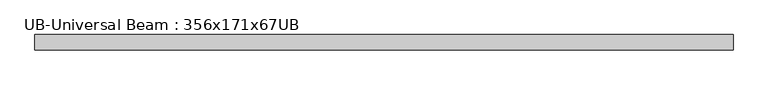
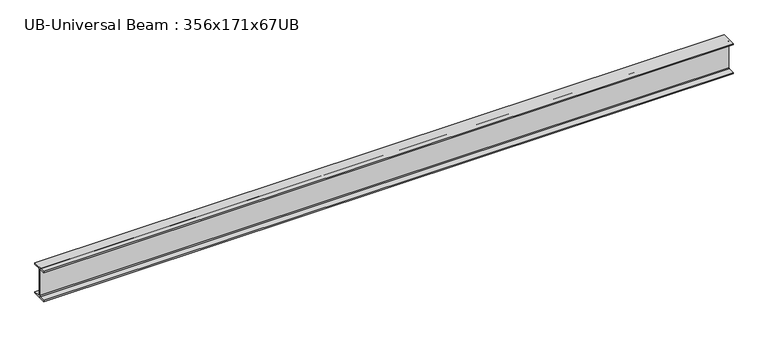
"""IFC4 building model written with IfcOpenShell, lengths in millimetres: beam geometry, UB-Universal Beam : 356x171x67UB."""

import ifcopenshell
import ifcopenshell.guid

model = None  # the IFC model being written
_history = None  # IfcOwnerHistory: only IFC2X3 demands one
_inside = {}  # id of a spatial element -> (the spatial element, [elements in it])
_under = {}  # id of a project, library or spatial element -> (it, [spatial elements below it])
_declared = {}  # id of a project -> (the project, [libraries it declares])
_typed = {}  # id of a type object -> (the type object, [elements of that type])
_made_of = {}  # id of a material, layer set ... -> (it, [elements and type objects made of it])


def new_model(schema):
    """Start an empty IFC model of exactly this schema.

    Asked for "IFC4X3", IfcOpenShell would pick the latest addendum, in which some entities
    have other attributes; the version numbers below select the first issue.
    IFC2X3 requires an IfcOwnerHistory on every rooted entity: one is made here for all.
    """
    global model, _history
    if schema == "IFC4X3":
        model = ifcopenshell.file(schema_version=(4, 3, 0, 0))
    else:
        model = ifcopenshell.file(schema=schema)
    _inside.clear()
    _under.clear()
    _declared.clear()
    _typed.clear()
    _made_of.clear()
    _history = None
    if model.schema == "IFC2X3":
        org = make("IfcOrganization", Name="unknown")
        user = make(
            "IfcPersonAndOrganization",
            ThePerson=make("IfcPerson", FamilyName="unknown"),
            TheOrganization=org,
        )
        app = make(
            "IfcApplication",
            ApplicationDeveloper=org,
            Version="unknown",
            ApplicationFullName="unknown",
            ApplicationIdentifier="unknown",
        )
        _history = make(
            "IfcOwnerHistory",
            OwningUser=user,
            OwningApplication=app,
            ChangeAction="ADDED",
            CreationDate=0,
        )
    return model


def make(cls, **values):
    """One entity of the class cls with the attributes given. An attribute that is None is left unset."""
    return model.create_entity(
        cls, **{name: value for name, value in values.items() if value is not None}
    )


def rooted(cls, **values):
    """An entity with a GlobalId (a new one), such as an element, a storey or a relation."""
    return make(cls, GlobalId=ifcopenshell.guid.new(), OwnerHistory=_history, **values)


def si_unit(unit_type, name, prefix=None):
    """IfcSIUnit, for example si_unit("LENGTHUNIT", "METRE", prefix="MILLI")."""
    return make("IfcSIUnit", UnitType=unit_type, Prefix=prefix, Name=name)


def assignment(units):
    """IfcUnitAssignment: the units of a project."""
    return None if units is None else make("IfcUnitAssignment", Units=units)


def point(xyz):
    """IfcCartesianPoint."""
    return None if xyz is None else make("IfcCartesianPoint", Coordinates=xyz)


def direction(xyz):
    """IfcDirection."""
    return None if xyz is None else make("IfcDirection", DirectionRatios=xyz)


def frame(location, z_axis=None, x_axis=None):
    """IfcAxis2Placement3D, a coordinate frame: its origin and axes. An axis left out is left unset."""
    return make(
        "IfcAxis2Placement3D",
        Location=point(location),
        Axis=direction(z_axis),
        RefDirection=direction(x_axis),
    )


def frame_2d(location, x_axis=None):
    """IfcAxis2Placement2D, a coordinate frame in the plane: its origin and x axis."""
    return make(
        "IfcAxis2Placement2D", Location=point(location), RefDirection=direction(x_axis)
    )


def origin():
    """The frame at (0, 0, 0) with its axes left unset."""
    return frame((0.0, 0.0, 0.0))


def place(relative_to, where):
    """IfcLocalPlacement: puts the frame where relative to a parent placement (None: the world)."""
    return make(
        "IfcLocalPlacement", PlacementRelTo=relative_to, RelativePlacement=where
    )


def context(
    kind, dimensions, precision=None, world=None, true_north=None, identifier=None
):
    """IfcGeometricRepresentationContext, for example the 3D "Model" context."""
    return make(
        "IfcGeometricRepresentationContext",
        ContextIdentifier=identifier,
        ContextType=kind,
        CoordinateSpaceDimension=dimensions,
        Precision=precision,
        WorldCoordinateSystem=world,
        TrueNorth=true_north,
    )


def project(units=None, contexts=None):
    """IfcProject with its units and contexts."""
    return rooted(
        "IfcProject",
        Name="project",
        RepresentationContexts=contexts,
        UnitsInContext=assignment(units),
    )


def spatial(cls, under=None, at=None, **own):
    """A site, building, storey or space (cls), placed at a placement, below another one or the project."""
    s = rooted(cls, ObjectPlacement=at, **own)
    if under is not None:
        _under.setdefault(under.id(), (under, []))[1].append(s)
    return s


def polyline(points):
    """IfcPolyline through the points."""
    return make("IfcPolyline", Points=[point(p) for p in points])


def circle_curve(where, radius):
    """IfcCircle in the frame where."""
    return make("IfcCircle", Position=where, Radius=radius)


def trimmed(basis, trim1, trim2, sense, master):
    """IfcTrimmedCurve: the piece of a basis curve between two trims."""
    return make(
        "IfcTrimmedCurve",
        BasisCurve=basis,
        Trim1=trim1,
        Trim2=trim2,
        SenseAgreement=sense,
        MasterRepresentation=master,
    )


def segment(curve, same_sense, transition):
    """IfcCompositeCurveSegment."""
    return make(
        "IfcCompositeCurveSegment",
        Transition=transition,
        SameSense=same_sense,
        ParentCurve=curve,
    )


def composite_curve(segments, self_intersect=None):
    """IfcCompositeCurve: segments joined end to end."""
    return make("IfcCompositeCurve", Segments=segments, SelfIntersect=self_intersect)


def outline(outer, holes=None, kind="AREA"):
    """IfcArbitraryClosedProfileDef: a profile drawn as a closed curve; with holes, ...WithVoids."""
    if holes is None:
        return make("IfcArbitraryClosedProfileDef", ProfileType=kind, OuterCurve=outer)
    return make(
        "IfcArbitraryProfileDefWithVoids",
        ProfileType=kind,
        OuterCurve=outer,
        InnerCurves=holes,
    )


def extrude(swept, where, along, depth):
    """IfcExtrudedAreaSolid: the profile swept, set in the frame where, extruded along a direction by depth."""
    return make(
        "IfcExtrudedAreaSolid",
        SweptArea=swept,
        Position=where,
        ExtrudedDirection=direction(along),
        Depth=depth,
    )


def shape(context_of_items, identifier, shape_type, items):
    """IfcShapeRepresentation: the items that make up one representation, for example the "Body"."""
    return make(
        "IfcShapeRepresentation",
        ContextOfItems=context_of_items,
        RepresentationIdentifier=identifier,
        RepresentationType=shape_type,
        Items=items,
    )


def source(mapping_origin, context_of_items, identifier, shape_type, items):
    """IfcRepresentationMap: a shape defined once, which mapped items show again and again."""
    return make(
        "IfcRepresentationMap",
        MappingOrigin=mapping_origin,
        MappedRepresentation=shape(context_of_items, identifier, shape_type, items),
    )


def transform(
    local_origin,
    x_axis=None,
    y_axis=None,
    z_axis=None,
    scale=None,
    scale2=None,
    scale3=None,
    uniform=True,
):
    """IfcCartesianTransformationOperator3D, or its non-uniform kind. x_axis, y_axis, z_axis: its Axis1, 2, 3."""
    if uniform:
        return make(
            "IfcCartesianTransformationOperator3D",
            Axis1=direction(x_axis),
            Axis2=direction(y_axis),
            LocalOrigin=point(local_origin),
            Scale=scale,
            Axis3=direction(z_axis),
        )
    return make(
        "IfcCartesianTransformationOperator3DnonUniform",
        Axis1=direction(x_axis),
        Axis2=direction(y_axis),
        LocalOrigin=point(local_origin),
        Scale=scale,
        Axis3=direction(z_axis),
        Scale2=scale2,
        Scale3=scale3,
    )


def mapped(mapping_source, mapping_target):
    """IfcMappedItem: shows the shape of a source again, moved by a transform."""
    return make(
        "IfcMappedItem", MappingSource=mapping_source, MappingTarget=mapping_target
    )


def made_of(thing, what):
    """Note that an element or type object is made of a material, layer set ...; save() writes the relation."""
    if what is not None:
        _made_of.setdefault(what.id(), (what, []))[1].append(thing)
    return thing


def element(
    cls,
    number,
    at=None,
    inside=None,
    cuts=None,
    type_object=None,
    material=None,
    context=None,
    identifier="Body",
    shape_type=None,
    held_by="IfcProductDefinitionShape",
    body=None,
    shapes=None,
    **own,
):
    """One element of the class cls, such as IfcWall. Its Tag is "e" and its number.

    at: its placement. inside: the storey or other place that contains it. cuts: it is an
    opening in that element (IfcRelVoidsElement). A single representation is given by context,
    identifier, shape_type and body (its items); several are given by shapes. held_by: the class
    of the entity that holds the representations. save() writes the other relations.
    """
    e = rooted(cls, Tag="e%d" % number, ObjectPlacement=at, **own)
    if body is not None:
        shapes = [shape(context, identifier, shape_type, body)]
    if shapes is not None:
        e.Representation = make(held_by, Representations=shapes)
    if inside is not None:
        _inside.setdefault(inside.id(), (inside, []))[1].append(e)
    if cuts is not None:
        rooted(
            "IfcRelVoidsElement", RelatingBuildingElement=cuts, RelatedOpeningElement=e
        )
    if type_object is not None:
        _typed.setdefault(type_object.id(), (type_object, []))[1].append(e)
    return made_of(e, material)


def aggregate(whole, parts):
    """IfcRelAggregates: a whole, such as a stair, and the parts it consists of."""
    return rooted("IfcRelAggregates", RelatingObject=whole, RelatedObjects=parts)


def save(model, path):
    """Write the relations noted so far, then the file.

    IfcRelAggregates (storeys below a building ...), IfcRelContainedInSpatialStructure (elements
    in a storey), IfcRelDefinesByType, IfcRelAssociatesMaterial and IfcRelDeclares: one each for
    every whole, place, type object, material and project.
    """
    for whole, parts in _under.values():
        aggregate(whole, parts)
    for where, things in _inside.values():
        rooted(
            "IfcRelContainedInSpatialStructure",
            RelatedElements=things,
            RelatingStructure=where,
        )
    for kind, things in _typed.values():
        rooted("IfcRelDefinesByType", RelatedObjects=things, RelatingType=kind)
    for what, things in _made_of.values():
        rooted("IfcRelAssociatesMaterial", RelatedObjects=things, RelatingMaterial=what)
    for by, libraries in _declared.values():
        rooted("IfcRelDeclares", RelatingContext=by, RelatedDefinitions=libraries)
    model.write(path)


def ub_universal_beam_356x171x67ub_ac5af5bd(model_context):
    return source(origin(), model_context, "Body", "SweptSolid", [
        extrude(outline(composite_curve([segment(polyline([(86.6, -166.0), (86.6, -181.7), (-86.6, -181.7), (-86.6, -166.0), (-14.75, -166.0)]), True, "CONTINUOUS"), segment(trimmed(circle_curve(frame_2d((-14.75, -155.8)), 10.2), [point((-14.75, -166.0))], [point((-4.55, -155.8))], True, "CARTESIAN"), True, "CONTINUOUS"), segment(polyline([(-4.55, -155.8), (-4.55, 155.8)]), True, "CONTINUOUS"), segment(trimmed(circle_curve(frame_2d((-14.75, 155.8)), 10.2), [point((-4.55, 155.8))], [point((-14.75, 166.0))], True, "CARTESIAN"), True, "CONTINUOUS"), segment(polyline([(-14.75, 166.0), (-86.6, 166.0), (-86.6, 181.7), (86.6, 181.7), (86.6, 166.0), (14.75, 166.0)]), True, "CONTINUOUS"), segment(trimmed(circle_curve(frame_2d((14.75, 155.8)), 10.2), [point((14.75, 166.0))], [point((4.55, 155.8))], True, "CARTESIAN"), True, "CONTINUOUS"), segment(polyline([(4.55, 155.8), (4.55, -155.8)]), True, "CONTINUOUS"), segment(trimmed(circle_curve(frame_2d((14.75, -155.8)), 10.2), [point((4.55, -155.8))], [point((14.75, -166.0))], True, "CARTESIAN"), True, "CONTINUOUS"), segment(polyline([(14.75, -166.0), (86.6, -166.0)]), True, "CONTINUOUS")], self_intersect=False)), frame((-3874.966648, 0.0, 0.0), z_axis=(1.0, 0.0, 0.0), x_axis=(0.0, 1.0, 0.0)), (0.0, 0.0, 1.0), 7833.1083625),
    ])


if __name__ == "__main__":
    model = new_model("IFC4")
    model_context = context("Model", 3, world=origin())
    ifc_project = project(units=[si_unit("LENGTHUNIT", "METRE", prefix="MILLI")], contexts=[model_context])
    site = spatial("IfcSite", under=ifc_project)
    building = spatial("IfcBuilding", under=site)
    placement = place(None, origin())
    ub_universal_beam_356x171x67ub_shape = ub_universal_beam_356x171x67ub_ac5af5bd(model_context)
    element("IfcBeam", 1, ObjectType="UB-Universal Beam : 356x171x67UB", at=placement, inside=building, context=model_context, shape_type="MappedRepresentation", body=[
        mapped(ub_universal_beam_356x171x67ub_shape, transform((0.0, 0.0, 0.0), x_axis=(1.0, 0.0, 0.0), y_axis=(0.0, 1.0, 0.0), z_axis=(0.0, 0.0, 1.0))),
    ])
    save(model, "model.ifc")
